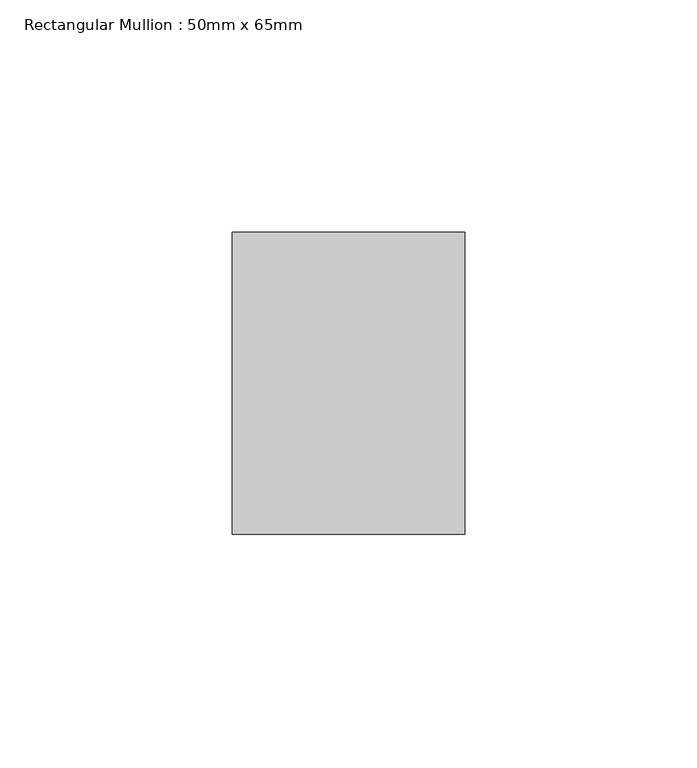
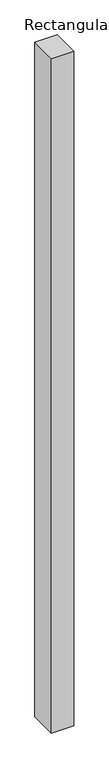
"""IFC4 building model written with IfcOpenShell, lengths in millimetres: member geometry, Rectangular Mullion : 50mm x 65mm."""

from ifc_helpers import new_model, si_unit, frame, origin, place, context, project, spatial, polyline, outline, extrude, source, transform, mapped, element, save


def rectangular_mullion_50mm_x_65mm_769e4f72(model_context):
    return source(origin(), model_context, "Body", "SweptSolid", [
        extrude(outline(polyline([(25.0, 32.5), (25.0, -32.5), (-25.0, -32.5), (-25.0, 32.5), (25.0, 32.5)])), frame((0.0, 0.0, -1612.9641621), z_axis=(0.0, 0.0, 1.0), x_axis=(1.0, 0.0, 0.0)), (0.0, 0.0, 1.0), 1612.9641621),
    ])


if __name__ == "__main__":
    model = new_model("IFC4")
    model_context = context("Model", 3, world=origin())
    ifc_project = project(units=[si_unit("LENGTHUNIT", "METRE", prefix="MILLI")], contexts=[model_context])
    site = spatial("IfcSite", under=ifc_project)
    building = spatial("IfcBuilding", under=site)
    placement = place(None, origin())
    rectangular_mullion_50mm_x_65mm_shape = rectangular_mullion_50mm_x_65mm_769e4f72(model_context)
    element("IfcMember", 1, ObjectType="Rectangular Mullion : 50mm x 65mm", at=placement, inside=building, context=model_context, shape_type="MappedRepresentation", body=[
        mapped(rectangular_mullion_50mm_x_65mm_shape, transform((0.0, 0.0, 0.0), x_axis=(1.0, 0.0, 0.0), y_axis=(0.0, 1.0, 0.0), z_axis=(0.0, 0.0, 1.0))),
    ])
    save(model, "model.ifc")
